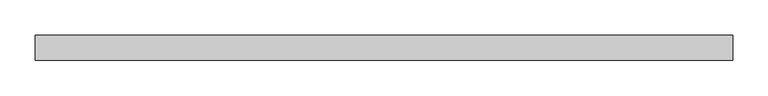
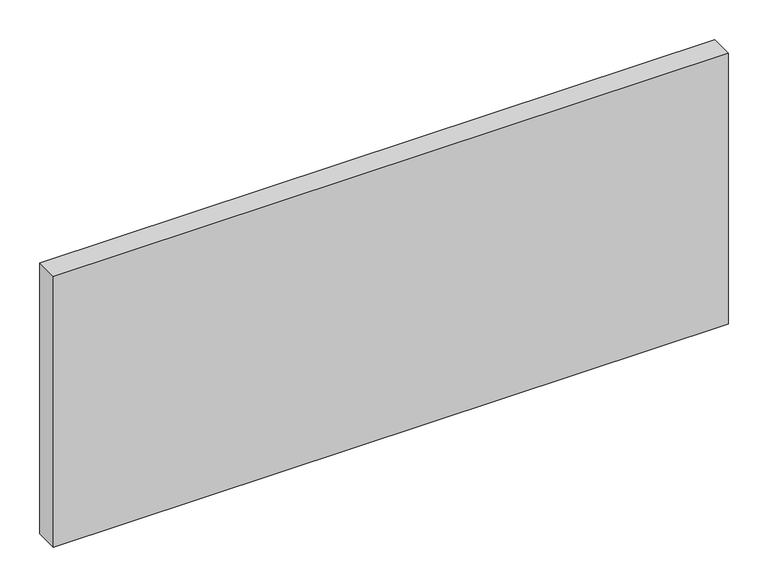
"""IFC4 building model written with IfcOpenShell, lengths in millimetres: plate geometry."""

from ifc_helpers import new_model, si_unit, origin, origin_with_axes, place, context, project, spatial, polyline, outline, extrude, source, transform, mapped, element, save


def plate_ab7d1e65(model_context):
    return source(origin(), model_context, "Body", "SweptSolid", [
        extrude(outline(polyline([(492.1116071, -17.5), (-492.1116071, -17.5), (-492.1116071, 17.5), (492.1116071, 17.5), (492.1116071, -17.5)])), origin_with_axes(), (0.0, 0.0, 1.0), 417.625),
    ])


if __name__ == "__main__":
    model = new_model("IFC4")
    model_context = context("Model", 3, world=origin())
    ifc_project = project(units=[si_unit("LENGTHUNIT", "METRE", prefix="MILLI")], contexts=[model_context])
    site = spatial("IfcSite", under=ifc_project)
    building = spatial("IfcBuilding", under=site)
    placement = place(None, origin())
    plate_shape = plate_ab7d1e65(model_context)
    element("IfcPlate", 1, at=placement, inside=building, context=model_context, shape_type="MappedRepresentation", body=[
        mapped(plate_shape, transform((0.0, 0.0, 0.0), x_axis=(1.0, 0.0, 0.0), y_axis=(0.0, 1.0, 0.0), z_axis=(0.0, 0.0, 1.0))),
    ])
    save(model, "model.ifc")
